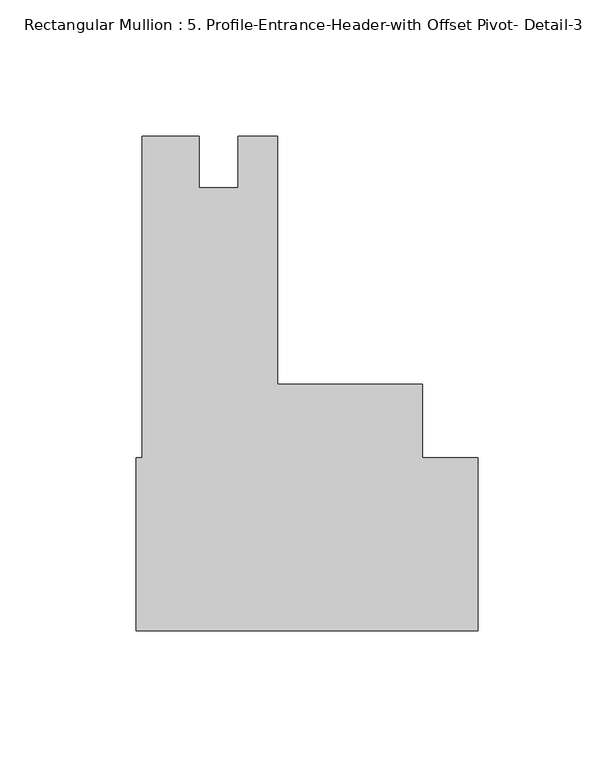
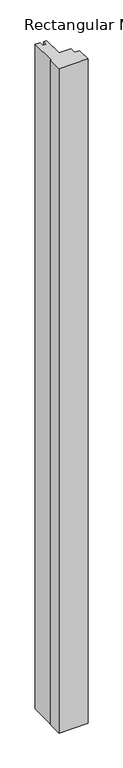
"""IFC4 building model written with IfcOpenShell, lengths in millimetres: member geometry, Rectangular Mullion : 5. Profile-Entrance-Header-with Offset Pivot- Detail-3."""

from ifc_helpers import new_model, si_unit, frame, origin, place, context, project, spatial, polyline, outline, extrude, source, transform, mapped, element, save


def rectangular_mullion_5_profile_entrance_header_with_offset_2d4e206d(model_context):
    return source(origin(), model_context, "Body", "SweptSolid", [
        extrude(outline(polyline([(-125.7808, -35.0594715), (-125.7808, 28.4405285), (-123.4138377, 28.4405285), (-123.4138377, 146.7092788), (-102.5350311, 146.7092788), (-102.5350311, 127.6846801), (-88.2221377, 127.6846801), (-88.2221377, 146.7092801), (-73.6298377, 146.7092801), (-73.6298377, 55.4153285), (-20.4343, 55.4153285), (-20.4343, 28.4405285), (0.0, 28.4405285), (0.0, -35.0594715), (-125.7808, -35.0594715)])), frame((0.0, 0.0, -3048.0), z_axis=(0.0, 0.0, 1.0), x_axis=(1.0, 0.0, 0.0)), (0.0, 0.0, 1.0), 3048.0),
    ])


if __name__ == "__main__":
    model = new_model("IFC4")
    model_context = context("Model", 3, world=origin())
    ifc_project = project(units=[si_unit("LENGTHUNIT", "METRE", prefix="MILLI")], contexts=[model_context])
    site = spatial("IfcSite", under=ifc_project)
    building = spatial("IfcBuilding", under=site)
    placement = place(None, origin())
    rectangular_mullion_5_profile_entrance_header_with_offset_shape = rectangular_mullion_5_profile_entrance_header_with_offset_2d4e206d(model_context)
    element("IfcMember", 1, ObjectType="Rectangular Mullion : 5. Profile-Entrance-Header-with Offset Pivot- Detail-3", at=placement, inside=building, context=model_context, shape_type="MappedRepresentation", body=[
        mapped(rectangular_mullion_5_profile_entrance_header_with_offset_shape, transform((0.0, 0.0, 0.0), x_axis=(1.0, 0.0, 0.0), y_axis=(0.0, 1.0, 0.0), z_axis=(0.0, 0.0, 1.0))),
    ])
    save(model, "model.ifc")
